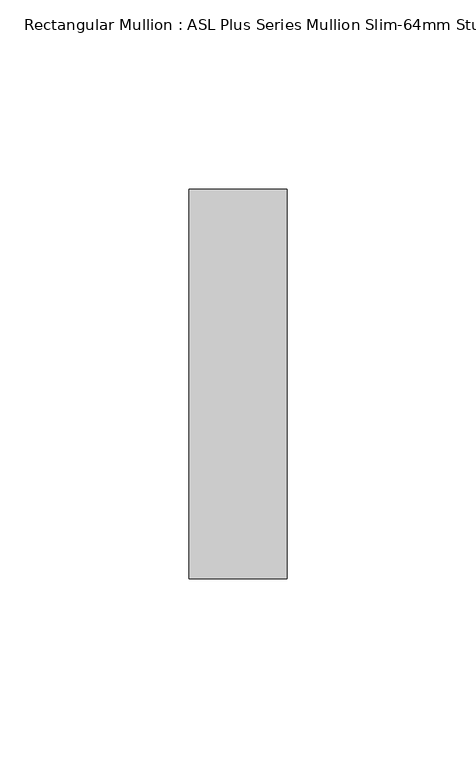
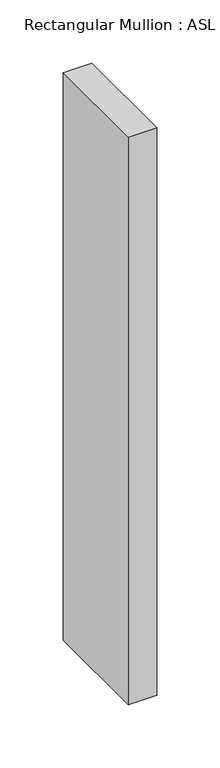
"""IFC4 building model written with IfcOpenShell, lengths in millimetres: member geometry, Rectangular Mullion : ASL Plus Series Mullion Slim-64mm Stud."""

from ifc_helpers import new_model, si_unit, frame, origin, place, context, project, spatial, polyline, outline, extrude, source, transform, mapped, element, save


def rectangular_mullion_asl_plus_series_mullion_slim_64mm_stud_ac473015(model_context):
    return source(origin(), model_context, "Body", "SweptSolid", [
        extrude(outline(polyline([(13.0, 51.5), (13.0, -51.5), (-13.0, -51.5), (-13.0, 51.5), (13.0, 51.5)])), frame((0.0, 0.0, -548.0), z_axis=(0.0, 0.0, 1.0), x_axis=(1.0, 0.0, 0.0)), (0.0, 0.0, 1.0), 548.0),
    ])


if __name__ == "__main__":
    model = new_model("IFC4")
    model_context = context("Model", 3, world=origin())
    ifc_project = project(units=[si_unit("LENGTHUNIT", "METRE", prefix="MILLI")], contexts=[model_context])
    site = spatial("IfcSite", under=ifc_project)
    building = spatial("IfcBuilding", under=site)
    placement = place(None, origin())
    rectangular_mullion_asl_plus_series_mullion_slim_64mm_stud_shape = rectangular_mullion_asl_plus_series_mullion_slim_64mm_stud_ac473015(model_context)
    element("IfcMember", 1, ObjectType="Rectangular Mullion : ASL Plus Series Mullion Slim-64mm Stud", at=placement, inside=building, context=model_context, shape_type="MappedRepresentation", body=[
        mapped(rectangular_mullion_asl_plus_series_mullion_slim_64mm_stud_shape, transform((0.0, 0.0, 0.0), x_axis=(1.0, 0.0, 0.0), y_axis=(0.0, 1.0, 0.0), z_axis=(0.0, 0.0, 1.0))),
    ])
    save(model, "model.ifc")
